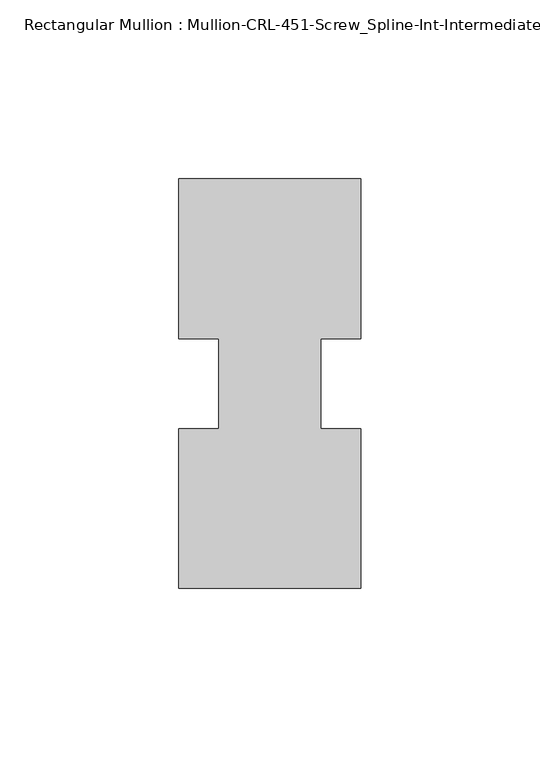
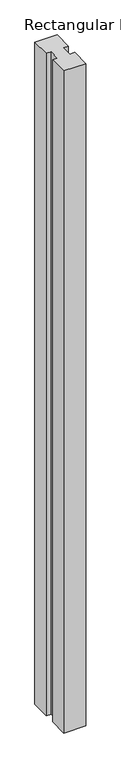
"""IFC4 building model written with IfcOpenShell, lengths in millimetres: member geometry, Rectangular Mullion : Mullion-CRL-451-Screw_Spline-Int-Intermediate_Horizontal."""

from ifc_helpers import new_model, si_unit, frame, origin, place, context, project, spatial, polyline, outline, extrude, source, transform, mapped, element, save


def rectangular_mullion_mullion_crl_451_screw_spline_int_214d9cc4(model_context):
    return source(origin(), model_context, "Body", "SweptSolid", [
        extrude(outline(polyline([(25.4, -57.15), (-25.4, -57.15), (-25.4, -12.7), (-14.2875, -12.7), (-14.2875, 12.5476134), (-25.4, 12.5476134), (-25.4, 57.15), (25.4, 57.15), (25.4, 12.5476134), (14.2875, 12.5476134), (14.2875, -12.7), (25.4, -12.7), (25.4, -57.15)])), frame((0.0, 0.0, -1603.375), z_axis=(0.0, 0.0, 1.0), x_axis=(1.0, 0.0, 0.0)), (0.0, 0.0, 1.0), 1603.375),
    ])


if __name__ == "__main__":
    model = new_model("IFC4")
    model_context = context("Model", 3, world=origin())
    ifc_project = project(units=[si_unit("LENGTHUNIT", "METRE", prefix="MILLI")], contexts=[model_context])
    site = spatial("IfcSite", under=ifc_project)
    building = spatial("IfcBuilding", under=site)
    placement = place(None, origin())
    rectangular_mullion_mullion_crl_451_screw_spline_int_shape = rectangular_mullion_mullion_crl_451_screw_spline_int_214d9cc4(model_context)
    element("IfcMember", 1, ObjectType="Rectangular Mullion : Mullion-CRL-451-Screw_Spline-Int-Intermediate_Horizontal", at=placement, inside=building, context=model_context, shape_type="MappedRepresentation", body=[
        mapped(rectangular_mullion_mullion_crl_451_screw_spline_int_shape, transform((0.0, 0.0, 0.0), x_axis=(1.0, 0.0, 0.0), y_axis=(0.0, 1.0, 0.0), z_axis=(0.0, 0.0, 1.0))),
    ])
    save(model, "model.ifc")
